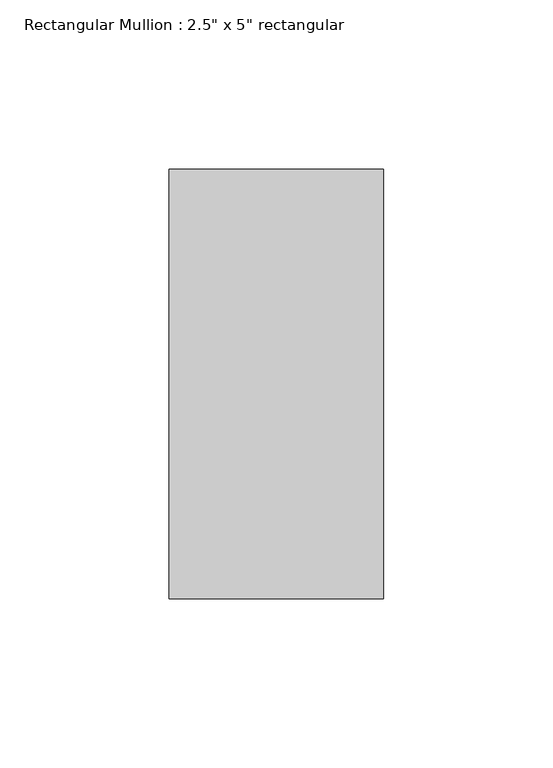
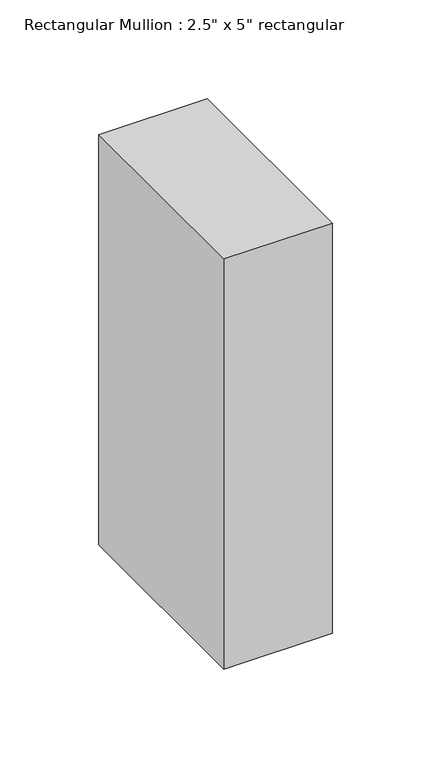
"""IFC4 building model written with IfcOpenShell, lengths in millimetres: member geometry."""

from ifc_helpers import new_model, si_unit, frame, origin, place, context, project, spatial, polyline, outline, extrude, source, transform, mapped, element, save


def member_e59d5788(model_context):
    return source(origin(), model_context, "Body", "SweptSolid", [
        extrude(outline(polyline([(31.75, 63.5), (31.75, -63.5), (-31.75, -63.5), (-31.75, 63.5), (31.75, 63.5)])), frame((0.0, 0.0, -254.0), z_axis=(0.0, 0.0, 1.0), x_axis=(1.0, 0.0, 0.0)), (0.0, 0.0, 1.0), 254.0),
    ])


if __name__ == "__main__":
    model = new_model("IFC4")
    model_context = context("Model", 3, world=origin())
    ifc_project = project(units=[si_unit("LENGTHUNIT", "METRE", prefix="MILLI")], contexts=[model_context])
    site = spatial("IfcSite", under=ifc_project)
    building = spatial("IfcBuilding", under=site)
    placement = place(None, origin())
    member_shape = member_e59d5788(model_context)
    element("IfcMember", 1, ObjectType="Rectangular Mullion : 2.5\" x 5\" rectangular", at=placement, inside=building, context=model_context, shape_type="MappedRepresentation", body=[
        mapped(member_shape, transform((0.0, 0.0, 0.0), x_axis=(1.0, 0.0, 0.0), y_axis=(0.0, 1.0, 0.0), z_axis=(0.0, 0.0, 1.0))),
    ])
    save(model, "model.ifc")
